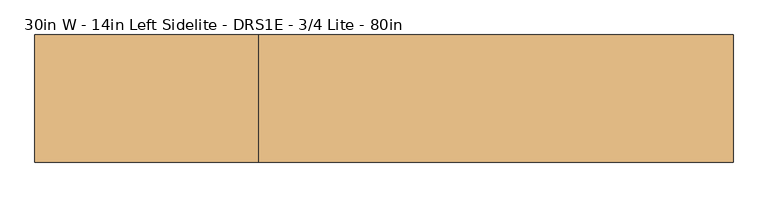
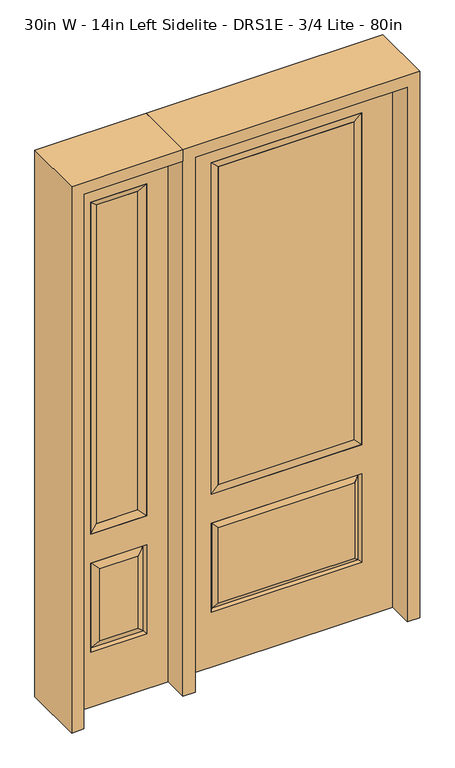
"""IFC4 building model written with IfcOpenShell, lengths in millimetres: door geometry, 30in W - 14in Left Sidelite - DRS1E - 3/4 Lite - 80in."""

from ifc_helpers import new_model, si_unit, frame, origin, place, context, project, spatial, polyline, outline, extrude, faceted_brep, source, transform, mapped, element, save


def door_30in_w_14in_left_sidelite_drs1e_3_4_lite_80in_b3f39e63(model_context):
    return source(origin(), model_context, "Body", "SolidModel", [
        faceted_brep([(-781.05, -22.225, 0.0), (-425.45, -22.225, 0.0), (-425.45, -22.225, 2032.0), (-781.05, -22.225, 2032.0), (-502.92, -22.225, 1919.224), (-502.92, -22.225, 657.098), (-703.58, -22.225, 657.098), (-703.58, -22.225, 1919.224), (-502.92, -22.225, 209.55), (-703.58, -22.225, 209.55), (-703.58, -22.225, 546.1), (-502.92, -22.225, 546.1), (-671.8648999, -22.225, 241.2651001), (-534.6351001, -22.225, 241.2651001), (-534.6351001, -22.225, 514.3848999), (-671.8648999, -22.225, 514.3848999), (-781.05, 22.225, 0.0), (-781.05, 22.225, 2032.0), (-425.45, 22.225, 2032.0), (-425.45, 22.225, 0.0), (-502.92, 22.225, 1919.224), (-703.58, 22.225, 1919.224), (-703.58, 22.225, 657.098), (-502.92, 22.225, 657.098), (-703.58, 22.225, 209.55), (-502.92, 22.225, 209.55), (-502.92, 22.225, 546.1), (-703.58, 22.225, 546.1), (-534.6351001, 22.225, 241.2651001), (-671.8648999, 22.225, 241.2651001), (-671.8648999, 22.225, 514.3848999), (-534.6351001, 22.225, 514.3848999), (-510.0288501, 12.7912373, 216.6588501), (-696.4711499, 12.7912373, 216.6588501), (-696.4711499, 12.7912373, 538.9911499), (-510.0288501, 12.7912373, 538.9911499), (-696.4711499, -12.7912373, 216.6588501), (-510.0288501, -12.7912373, 216.6588501), (-696.4711499, -12.7912373, 538.9911499), (-510.0288501, -12.7912373, 538.9911499)], [[[0, 1, 2, 3], [4, 5, 6, 7], [8, 9, 10, 11]], [[12, 13, 14, 15]], [[16, 17, 18, 19], [20, 21, 22, 23], [24, 25, 26, 27]], [[28, 29, 30, 31]], [[1, 0, 16, 19]], [[2, 1, 19, 18]], [[3, 2, 18, 17]], [[0, 3, 17, 16]], [[5, 4, 20, 23]], [[6, 5, 23, 22]], [[7, 6, 22, 21]], [[4, 7, 21, 20]], [[32, 33, 29, 28]], [[33, 32, 25, 24]], [[29, 33, 34, 30]], [[33, 24, 27, 34]], [[30, 34, 35, 31]], [[34, 27, 26, 35]], [[32, 28, 31, 35]], [[25, 32, 35, 26]], [[12, 36, 37, 13]], [[37, 36, 9, 8]], [[36, 12, 15, 38]], [[9, 36, 38, 10]], [[38, 15, 14, 39]], [[10, 38, 39, 11]], [[13, 37, 39, 14]], [[37, 8, 11, 39]]]),
        faceted_brep([(-703.58, 22.225, 1919.224), (-703.58, -22.225, 1919.224), (-502.92, -22.225, 1919.224), (-502.92, 22.225, 1919.224), (-678.18, 12.7, 1893.824), (-528.32, 12.7, 1893.824), (-678.18, -12.7, 1893.824), (-528.32, -12.7, 1893.824), (-502.92, -22.225, 657.098), (-502.92, 22.225, 657.098), (-528.32, 12.7, 682.498), (-528.32, -12.7, 682.498), (-703.58, -22.225, 657.098), (-703.58, 22.225, 657.098), (-678.18, 12.7, 682.498), (-678.18, -12.7, 682.498)], [[[0, 1, 2, 3]], [[4, 0, 3, 5]], [[6, 4, 5, 7]], [[1, 6, 7, 2]], [[3, 2, 8, 9]], [[5, 3, 9, 10]], [[7, 5, 10, 11]], [[2, 7, 11, 8]], [[9, 8, 12, 13]], [[10, 9, 13, 14]], [[11, 10, 14, 15]], [[8, 11, 15, 12]], [[13, 12, 1, 0]], [[14, 13, 0, 4]], [[15, 14, 4, 6]], [[12, 15, 6, 1]]]),
        extrude(outline(polyline([(-528.32, -12.7), (-678.18, -12.7), (-678.18, 12.7), (-528.32, 12.7), (-528.32, -12.7)])), frame((0.0, 0.0, 682.498), z_axis=(0.0, 0.0, 1.0), x_axis=(1.0, 0.0, 0.0)), (0.0, 0.0, 1.0), 1211.326),
        faceted_brep([(-262.7661499, -12.7912373, 216.6588501), (262.7661499, -12.7912373, 216.6588501), (245.26875, -22.225, 234.15625), (-245.26875, -22.225, 234.15625), (-269.875, -22.225, 209.55), (269.875, -22.225, 209.55), (-262.7661499, -12.7912373, 538.9911499), (-269.875, -22.225, 546.1), (245.26875, -22.225, 521.49375), (-245.26875, -22.225, 521.49375), (381.0, -22.225, 2032.0), (-381.0, -22.225, 2032.0), (-381.0, -22.225, 0.0), (381.0, -22.225, 0.0), (269.875, -22.225, 546.1), (269.875, -22.225, 1917.7), (269.875, -22.225, 657.098), (-269.875, -22.225, 657.098), (-269.875, -22.225, 1917.7), (262.7661499, -12.7912373, 538.9911499), (-381.0, 22.225, 2032.0), (-381.0, 22.225, 0.0), (381.0, 22.225, 0.0), (381.0, 22.225, 2032.0), (269.875, 22.225, 1917.7), (269.875, 22.225, 657.098), (-269.875, 22.225, 657.098), (-269.875, 22.225, 1917.7), (-269.875, 22.225, 209.55), (269.875, 22.225, 209.55), (269.875, 22.225, 546.1), (-269.875, 22.225, 546.1), (245.26875, 22.225, 234.15625), (-245.26875, 22.225, 234.15625), (-245.26875, 22.225, 521.49375), (245.26875, 22.225, 521.49375), (-262.7661499, 12.7912373, 216.6588501), (262.7661499, 12.7912373, 216.6588501), (262.7661499, 12.7912373, 538.9911499), (-262.7661499, 12.7912373, 538.9911499)], [[[0, 1, 2, 3]], [[1, 0, 4, 5]], [[4, 0, 6, 7]], [[3, 2, 8, 9]], [[10, 11, 12, 13], [5, 4, 7, 14], [15, 16, 17, 18]], [[1, 5, 14, 19]], [[2, 1, 19, 8]], [[0, 3, 9, 6]], [[7, 6, 19, 14]], [[6, 9, 8, 19]], [[12, 11, 20, 21]], [[13, 12, 21, 22]], [[10, 13, 22, 23]], [[16, 15, 24, 25]], [[17, 16, 25, 26]], [[18, 17, 26, 27]], [[23, 22, 21, 20], [28, 29, 30, 31], [24, 27, 26, 25]], [[32, 33, 34, 35]], [[28, 36, 37, 29]], [[29, 37, 38, 30]], [[39, 31, 30, 38]], [[36, 28, 31, 39]], [[37, 36, 33, 32]], [[33, 36, 39, 34]], [[34, 39, 38, 35]], [[37, 32, 35, 38]], [[11, 10, 23, 20]], [[15, 18, 27, 24]]]),
        faceted_brep([(-269.875, -22.225, 1917.7), (-269.875, 22.225, 1917.7), (-269.875, 22.225, 657.098), (-269.875, -22.225, 657.098), (269.875, 22.225, 657.098), (269.875, -22.225, 657.098), (-244.475, 5.08, 682.498), (244.475, 5.08, 682.498), (269.875, 22.225, 1917.7), (269.875, -22.225, 1917.7), (-244.475, -20.32, 682.498), (244.475, -20.32, 682.498), (-244.475, -20.32, 1892.3), (244.475, -20.32, 1892.3), (-244.475, 5.08, 1892.3), (244.475, 5.08, 1892.3)], [[[0, 1, 2, 3]], [[3, 2, 4, 5]], [[2, 6, 7, 4]], [[5, 4, 8, 9]], [[10, 3, 5, 11]], [[12, 0, 3, 10]], [[11, 5, 9, 13]], [[6, 10, 11, 7]], [[14, 12, 10, 6]], [[7, 11, 13, 15]], [[1, 14, 6, 2]], [[4, 7, 15, 8]], [[9, 8, 1, 0]], [[13, 9, 0, 12]], [[15, 13, 12, 14]], [[8, 15, 14, 1]]]),
        extrude(outline(polyline([(244.475, -20.32), (-244.475, -20.32), (-244.475, 5.08), (244.475, 5.08), (244.475, -20.32)])), frame((0.0, 0.0, 682.498), z_axis=(0.0, 0.0, 1.0), x_axis=(1.0, 0.0, 0.0)), (0.0, 0.0, 1.0), 1209.802),
        extrude(outline(polyline([(2032.0, -425.45), (2076.45, -425.45), (2076.45, -825.5), (0.0, -825.5), (0.0, -781.05), (2032.0, -781.05), (2032.0, -425.45)])), frame((0.0, -114.3, 0.0), z_axis=(0.0, 1.0, 0.0), x_axis=(0.0, 0.0, 1.0)), (0.0, 0.0, 1.0), 228.6),
        extrude(outline(polyline([(2076.45, -425.45), (0.0, -425.45), (0.0, -381.0), (2032.0, -381.0), (2032.0, 381.0), (0.0, 381.0), (0.0, 425.45), (2076.45, 425.45), (2076.45, -425.45)])), frame((0.0, -114.3, 0.0), z_axis=(0.0, 1.0, 0.0), x_axis=(0.0, 0.0, 1.0)), (0.0, 0.0, 1.0), 228.6),
    ])


if __name__ == "__main__":
    model = new_model("IFC4")
    model_context = context("Model", 3, world=origin())
    ifc_project = project(units=[si_unit("LENGTHUNIT", "METRE", prefix="MILLI")], contexts=[model_context])
    site = spatial("IfcSite", under=ifc_project)
    building = spatial("IfcBuilding", under=site)
    placement = place(None, origin())
    door_30in_w_14in_left_sidelite_drs1e_3_4_lite_80in_shape = door_30in_w_14in_left_sidelite_drs1e_3_4_lite_80in_b3f39e63(model_context)
    element("IfcDoor", 1, ObjectType="30in W - 14in Left Sidelite - DRS1E - 3/4 Lite - 80in", at=placement, inside=building, context=model_context, shape_type="MappedRepresentation", body=[
        mapped(door_30in_w_14in_left_sidelite_drs1e_3_4_lite_80in_shape, transform((0.0, 0.0, 0.0), x_axis=(1.0, 0.0, 0.0), y_axis=(0.0, 1.0, 0.0), z_axis=(0.0, 0.0, 1.0))),
    ])
    save(model, "model.ifc")
